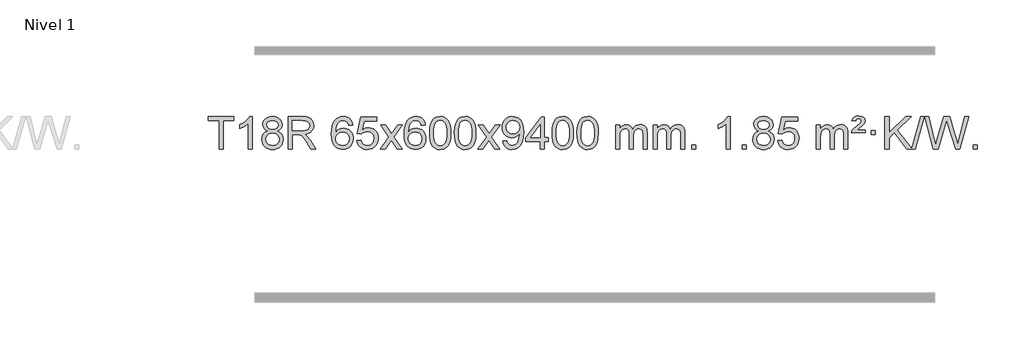
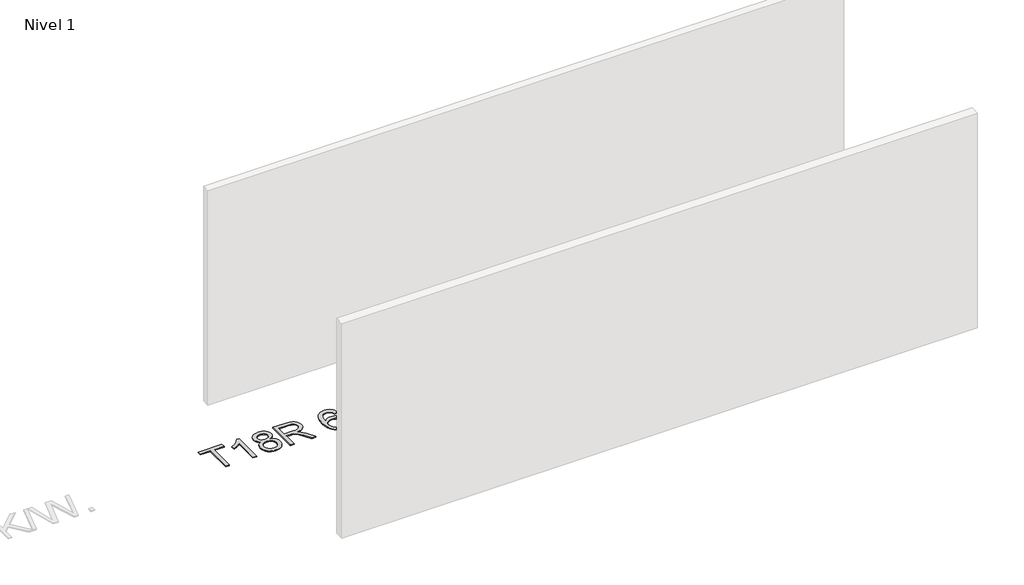
# One storey, part 6 of 7: 1 proxy.
"""IFC4 building model written with IfcOpenShell, lengths in millimetres."""

from ifc_helpers import new_model, si_unit, origin, origin_with_axes, place, context, project, spatial, polyline, outline, extrude, element, save

model = new_model("IFC4")

# Units and contexts
model_context = context("Model", 3, world=origin())
ifc_project = project(units=[si_unit("LENGTHUNIT", "METRE", prefix="MILLI")], contexts=[model_context])

# Site, building, storey
site = spatial("IfcSite", under=ifc_project)
building = spatial("IfcBuilding", under=site)
storey = spatial("IfcBuildingStorey", under=building, Name="Nivel 1", Elevation=0.0)

# Proxy
placement = place(None, origin())
element("IfcBuildingElementProxy", 1, Name="Texto de modelo 1", ObjectType="Texto de modelo 1", at=placement, inside=storey, context=model_context, shape_type="SweptSolid", body=[
    extrude(outline(polyline([(-14917.2438234, 5712.420547), (-14917.2438234, 6064.0176325), (-15049.0927304, 6064.0176325), (-15049.0927304, 6114.2457876), (-14735.1667612, 6114.2457876), (-14735.1667612, 6064.0176325), (-14867.0156683, 6064.0176325), (-14867.0156683, 5712.420547), (-14917.2438234, 5712.420547)])), origin_with_axes(), (0.0, 0.0, 1.0), 10.0),
    extrude(outline(polyline([(-14509.1400634, 5712.420547), (-14559.3682185, 5712.420547), (-14559.3682185, 6025.5617013), (-14580.3374922, 6008.6023413), (-14606.9476232, 5991.6675068), (-14659.8245286, 5966.3081746), (-14659.8245286, 6013.7894775), (-14620.375316, 6035.2492605), (-14586.1990786, 6060.780271), (-14559.2578539, 6087.9299622), (-14541.513679, 6114.2457876), (-14509.1400634, 6114.2457876), (-14509.1400634, 5712.420547)])), origin_with_axes(), (0.0, 0.0, 1.0), 10.0),
    extrude(outline(polyline([(-14316.6642035, 5933.7383553), (-14343.5563773, 5946.9821071), (-14362.4287237, 5964.9347485), (-14373.5755482, 5987.2283974), (-14377.2911563, 6013.4951719), (-14375.2678053, 6033.9800676), (-14369.1977524, 6052.7604435), (-14359.0809975, 6069.8362994), (-14344.9175407, 6085.2076355), (-14327.3879637, 6097.911827), (-14307.172848, 6106.9862496), (-14284.2721938, 6112.4309031), (-14258.6860011, 6114.2457876), (-14232.977181, 6112.3879835), (-14209.9048485, 6106.8145713), (-14189.4690037, 6097.5255509), (-14171.6696465, 6084.5209224), (-14157.2486723, 6068.8491494), (-14146.9479764, 6051.5586956), (-14140.7675589, 6032.6495611), (-14138.7074197, 6012.1217457), (-14142.3739769, 5986.7010999), (-14153.3736486, 5964.7875957), (-14171.829062, 5946.9453189), (-14197.8628445, 5933.7383553), (-14166.9484942, 5917.8090649), (-14144.4463788, 5894.3504564), (-14130.7243804, 5864.4907011), (-14126.1503809, 5829.3579705), (-14128.4189866, 5804.3052067), (-14135.2248035, 5781.3371074), (-14146.5678317, 5760.4536728), (-14162.4480711, 5741.6549029), (-14182.031656, 5726.11802), (-14204.4847204, 5715.0202464), (-14229.8072644, 5708.3615823), (-14257.999288, 5706.1420276), (-14286.1913116, 5708.3707794), (-14311.5138556, 5715.0570346), (-14333.96692, 5726.2007934), (-14353.5505049, 5741.8020557), (-14369.4307443, 5760.73265), (-14380.7737725, 5781.864405), (-14387.5795894, 5805.1973205), (-14389.8481951, 5830.7313967), (-14385.0902546, 5867.2252906), (-14370.8164332, 5897.2444614), (-14347.7624948, 5919.7588395), (-14316.6642035, 5933.7383553)]), holes=[polyline([(-14327.0630012, 6012.0236439), (-14322.6116291, 5990.097877), (-14309.2575127, 5972.586694), (-14287.3930594, 5961.1087757), (-14257.4106768, 5957.282803), (-14228.12727, 5961.0842503), (-14206.5939105, 5972.4885921), (-14193.3501587, 5989.4111639), (-14188.9355748, 6009.767301), (-14193.4973115, 6030.8959902), (-14207.1825217, 6048.370385), (-14229.0101868, 6060.1058206), (-14257.999288, 6064.0176325), (-14287.1723302, 6060.1916598), (-14308.9632071, 6048.7137415), (-14322.5380527, 6031.8892716), (-14327.0630012, 6012.0236439)]), polyline([(-14339.62004, 5832.4972302), (-14337.5231126, 5813.2815274), (-14331.2323305, 5794.6789611), (-14319.6195222, 5778.4553651), (-14301.5565162, 5766.376573), (-14279.9250549, 5758.8717803), (-14257.6068805, 5756.3701827), (-14223.4183805, 5761.6308952), (-14209.5247038, 5768.2067859), (-14197.7647427, 5777.4130328), (-14181.7250877, 5801.3130998), (-14176.378536, 5830.9276004), (-14181.8967659, 5861.0448731), (-14198.4514557, 5885.4722375), (-14210.5302479, 5894.9145421), (-14224.6937047, 5901.6590453), (-14259.2746123, 5907.0546479), (-14292.9848657, 5901.7326217), (-14306.7221926, 5895.080089), (-14318.3809861, 5885.7665431), (-14334.3102765, 5861.8051625), (-14339.62004, 5832.4972302)])]), origin_with_axes(), (0.0, 0.0, 1.0), 10.0),
    extrude(outline(polyline([(-14063.3651871, 5712.420547), (-14063.3651871, 6114.2457876), (-13890.2153947, 6114.2457876), (-13843.6783223, 6111.5357236), (-13809.820916, 6103.4055315), (-13785.0747205, 6088.3959461), (-13765.8712803, 6065.0477021), (-13753.5472335, 6036.0953891), (-13749.4392179, 6004.2735965), (-13751.1406721, 5983.6354166), (-13756.2450348, 5964.6894938), (-13764.7523059, 5947.4358283), (-13776.6624855, 5931.8744199), (-13792.1288577, 5918.5019093), (-13811.3047067, 5907.8149374), (-13834.1900325, 5899.813504), (-13860.7848351, 5894.4976092), (-13832.2371923, 5873.0133006), (-13791.5249181, 5821.3136176), (-13724.5213441, 5712.420547), (-13782.891954, 5712.420547), (-13835.1802482, 5795.7090307), (-13872.9494664, 5850.8422791), (-13886.9902959, 5866.9187222), (-13899.486021, 5876.8883243), (-13923.3738252, 5886.4532562), (-13952.5100792, 5888.2190898), (-14013.137032, 5888.2190898), (-14013.137032, 5712.420547), (-14063.3651871, 5712.420547)]), holes=[polyline([(-14013.137032, 5938.4472448), (-13900.7122943, 5938.4472448), (-13868.4245178, 5940.2253412), (-13843.371754, 5945.5596301), (-13824.5116704, 5954.8057309), (-13810.8019347, 5968.3192629), (-13802.4510134, 5984.6654862), (-13799.6673729, 6002.4096611), (-13804.9771364, 6026.910602), (-13820.9064268, 6046.6536024), (-13833.0679924, 6054.2503656), (-13848.3136354, 6059.676625), (-13888.0571537, 6064.0176325), (-14013.137032, 6064.0176325), (-14013.137032, 5938.4472448)])]), origin_with_axes(), (0.0, 0.0, 1.0), 10.0),
    extrude(outline(polyline([(-13265.9932253, 6007.5109581), (-13316.2213804, 6001.2324387), (-13324.3147842, 6026.125787), (-13335.2531422, 6043.1219352), (-13358.0373005, 6058.7937082), (-13385.5793992, 6064.0176325), (-13408.9276431, 6060.9764747), (-13430.902461, 6051.8530012), (-13449.7748073, 6032.6372983), (-13465.1890629, 6006.1865829), (-13475.6001234, 5968.772984), (-13479.4628843, 5916.6686307), (-13459.3152137, 5940.1762902), (-13435.1698921, 5956.7432427), (-13408.3758201, 5966.565692), (-13380.2818984, 5969.8398418), (-13356.1488396, 5967.601893), (-13333.8797161, 5960.8880466), (-13313.4745281, 5949.6983025), (-13294.9332756, 5934.0326609), (-13279.5251513, 5914.8230894), (-13268.5193483, 5893.0015557), (-13261.9158665, 5868.5680599), (-13259.7147059, 5841.5226018), (-13263.8595097, 5805.5560055), (-13276.2939211, 5772.213634), (-13295.9878706, 5743.9357713), (-13321.9112885, 5723.1627013), (-13352.8869525, 5710.397196), (-13387.7376402, 5706.1420276), (-13417.6801689, 5708.9624563), (-13444.7225613, 5717.4237421), (-13468.8648172, 5731.5258853), (-13490.1069367, 5751.2688857), (-13507.4249817, 5777.4866092), (-13519.7950137, 5811.0129217), (-13527.217033, 5851.8478232), (-13529.6910394, 5899.9913136), (-13526.9441872, 5953.9657337), (-13518.7036305, 6000.0306908), (-13504.9693693, 6038.1861851), (-13485.7414037, 6068.4322165), (-13464.9008887, 6088.4756538), (-13440.737173, 6102.7923948), (-13413.2502566, 6111.3824394), (-13382.4401395, 6114.2457876), (-13359.3064934, 6112.4738227), (-13338.3678765, 6107.1579278), (-13319.6242888, 6098.2981031), (-13303.0757304, 6085.8943485), (-13289.169791, 6070.3635969), (-13278.3540603, 6052.1227814), (-13270.6285384, 6031.1719017), (-13265.9932253, 6007.5109581)]), holes=[polyline([(-13479.4628843, 5842.3074168), (-13476.5566166, 5820.0505561), (-13467.8378133, 5798.7992395), (-13454.2997559, 5780.527767), (-13436.9357257, 5767.2104388), (-13415.9787147, 5759.0802467), (-13391.6617148, 5756.3701827), (-13358.5155471, 5761.9865145), (-13344.6004106, 5769.0069292), (-13332.4572391, 5778.8355099), (-13322.6071987, 5791.0737176), (-13315.5714555, 5805.3230135), (-13309.942861, 5839.8548701), (-13315.4978791, 5873.0010379), (-13322.4416518, 5886.6218688), (-13332.1629335, 5898.274531), (-13344.3428932, 5907.6095366), (-13358.6626999, 5914.2773978), (-13393.721854, 5919.6116867), (-13426.8189708, 5914.2773978), (-13454.4959596, 5898.274531), (-13465.4189892, 5886.7751529), (-13473.2211532, 5873.6141746), (-13477.9024515, 5858.7915958), (-13479.4628843, 5842.3074168)])]), origin_with_axes(), (0.0, 0.0, 1.0), 10.0),
    extrude(outline(polyline([(-13215.7650702, 5819.1553765), (-13165.5369151, 5825.4338959), (-13156.3153398, 5795.2798351), (-13140.2266339, 5773.6851619), (-13117.3443738, 5760.6989275), (-13087.7421359, 5756.3701827), (-13068.6122721, 5757.8754332), (-13051.7387513, 5762.3911847), (-13037.1215733, 5769.9174372), (-13024.7607383, 5780.4541906), (-13014.9321577, 5793.480279), (-13007.9117429, 5808.4745359), (-13002.2954111, 5844.3675559), (-13007.5561237, 5878.1636486), (-13014.1320143, 5892.0818507), (-13023.3382613, 5904.0134901), (-13035.2055213, 5913.5845533), (-13049.7644512, 5920.4210271), (-13086.957321, 5925.8902061), (-13111.3233718, 5923.7074396), (-13131.0541094, 5917.1591401), (-13146.8117216, 5907.1282243), (-13159.2583957, 5894.4976092), (-13209.4865508, 5900.7761285), (-13165.5369151, 6107.9672682), (-12970.9028142, 6107.9672682), (-12970.9028142, 6057.7391131), (-13124.9227429, 6057.7391131), (-13146.4070514, 5947.080209), (-13128.6812706, 5959.7844006), (-13110.5262941, 5968.8588231), (-13091.942122, 5974.3034766), (-13072.9287542, 5976.1183612), (-13048.4676672, 5973.8681496), (-13025.9992744, 5967.117515), (-13005.5235756, 5955.8664573), (-12987.0405711, 5940.1149766), (-12971.7397458, 5920.8256973), (-12960.8105848, 5898.961244), (-12954.2530882, 5874.5216168), (-12952.0672561, 5847.5068156), (-12954.0354247, 5821.4852958), (-12959.9399308, 5797.2786606), (-12969.7807741, 5774.8869098), (-12983.5579548, 5754.3100435), (-13004.4291267, 5733.2365366), (-13028.7829148, 5718.1840316), (-13056.6193191, 5709.1525286), (-13087.9383396, 5706.1420276), (-13113.8586919, 5708.0764738), (-13137.2713152, 5713.8798123), (-13158.1762095, 5723.552043), (-13176.573375, 5737.0931662), (-13191.8803317, 5753.8287312), (-13203.5145998, 5773.084288), (-13211.4761793, 5794.8598364), (-13215.7650702, 5819.1553765)])), origin_with_axes(), (0.0, 0.0, 1.0), 10.0),
    extrude(outline(polyline([(-12926.9531785, 5712.420547), (-12819.6297378, 5860.7505675), (-12920.6746591, 6007.5109581), (-12860.2439101, 6007.5109581), (-12811.487283, 5936.877615), (-12788.7276502, 5903.5229808), (-12769.0091753, 5930.7952993), (-12713.4835195, 6007.5109581), (-12653.0527704, 6007.5109581), (-12759.1989887, 5860.7505675), (-12656.976845, 5712.420547), (-12717.4075941, 5712.420547), (-12778.9174637, 5801.5951426), (-12790.1991782, 5817.8800523), (-12866.5224294, 5712.420547), (-12926.9531785, 5712.420547)])), origin_with_axes(), (0.0, 0.0, 1.0), 10.0),
    extrude(outline(polyline([(-12368.1649533, 6007.5109581), (-12418.3931084, 6001.2324387), (-12426.4865123, 6026.125787), (-12437.4248703, 6043.1219352), (-12460.2090285, 6058.7937082), (-12487.7511272, 6064.0176325), (-12511.0993712, 6060.9764747), (-12533.074189, 6051.8530012), (-12551.9465354, 6032.6372983), (-12567.360791, 6006.1865829), (-12577.7718514, 5968.772984), (-12581.6346124, 5916.6686307), (-12561.4869418, 5940.1762902), (-12537.3416202, 5956.7432427), (-12510.5475482, 5966.565692), (-12482.4536265, 5969.8398418), (-12458.3205676, 5967.601893), (-12436.0514442, 5960.8880466), (-12415.6462562, 5949.6983025), (-12397.1050036, 5934.0326609), (-12381.6968794, 5914.8230894), (-12370.6910763, 5893.0015557), (-12364.0875945, 5868.5680599), (-12361.8864339, 5841.5226018), (-12366.0312377, 5805.5560055), (-12378.4656492, 5772.213634), (-12398.1595987, 5743.9357713), (-12424.0830166, 5723.1627013), (-12455.0586806, 5710.397196), (-12489.9093683, 5706.1420276), (-12519.851897, 5708.9624563), (-12546.8942893, 5717.4237421), (-12571.0365452, 5731.5258853), (-12592.2786648, 5751.2688857), (-12609.5967097, 5777.4866092), (-12621.9667418, 5811.0129217), (-12629.388761, 5851.8478232), (-12631.8627675, 5899.9913136), (-12629.1159152, 5953.9657337), (-12620.8753585, 6000.0306908), (-12607.1410974, 6038.1861851), (-12587.9131318, 6068.4322165), (-12567.0726167, 6088.4756538), (-12542.908901, 6102.7923948), (-12515.4219846, 6111.3824394), (-12484.6118675, 6114.2457876), (-12461.4782214, 6112.4738227), (-12440.5396045, 6107.1579278), (-12421.7960168, 6098.2981031), (-12405.2474584, 6085.8943485), (-12391.341519, 6070.3635969), (-12380.5257884, 6052.1227814), (-12372.8002665, 6031.1719017), (-12368.1649533, 6007.5109581)]), holes=[polyline([(-12581.6346124, 5842.3074168), (-12578.7283446, 5820.0505561), (-12570.0095413, 5798.7992395), (-12556.4714839, 5780.527767), (-12539.1074537, 5767.2104388), (-12518.1504427, 5759.0802467), (-12493.8334429, 5756.3701827), (-12460.6872751, 5761.9865145), (-12446.7721386, 5769.0069292), (-12434.6289671, 5778.8355099), (-12424.7789267, 5791.0737176), (-12417.7431835, 5805.3230135), (-12412.114589, 5839.8548701), (-12417.6696071, 5873.0010379), (-12424.6133798, 5886.6218688), (-12434.3346615, 5898.274531), (-12446.5146212, 5907.6095366), (-12460.8344279, 5914.2773978), (-12495.893582, 5919.6116867), (-12528.9906989, 5914.2773978), (-12556.6676876, 5898.274531), (-12567.5907172, 5886.7751529), (-12575.3928812, 5873.6141746), (-12580.0741796, 5858.7915958), (-12581.6346124, 5842.3074168)])]), origin_with_axes(), (0.0, 0.0, 1.0), 10.0),
    extrude(outline(polyline([(-12317.9367982, 5910.0958057), (-12314.2457156, 5974.4138412), (-12303.1724675, 6025.7088541), (-12284.8274187, 6064.7656593), (-12272.9693557, 6079.9990395), (-12259.3209337, 6092.3690716), (-12243.8361674, 6101.9401349), (-12226.4690715, 6108.7766086), (-12186.0878912, 6114.2457876), (-12155.1367526, 6111.008426), (-12127.4229757, 6101.2963414), (-12104.24641, 6085.4896783), (-12086.9069053, 6063.9685816), (-12073.8103062, 6036.9169922), (-12063.3624576, 6004.5188512), (-12056.5198525, 5963.3773814), (-12054.2389841, 5910.0958057), (-12057.8932786, 5846.1456523), (-12068.856162, 5794.9732667), (-12087.0908463, 5755.8796734), (-12098.9213181, 5740.6003078), (-12112.5605431, 5728.1658964), (-12128.0637035, 5718.5304538), (-12145.4859816, 5711.6479948), (-12186.0878912, 5706.1420276), (-12213.7526172, 5708.5332606), (-12238.2780835, 5715.7069595), (-12259.6642902, 5727.6631243), (-12277.9112372, 5744.4017551), (-12295.4224201, 5774.6600492), (-12307.930408, 5812.3618224), (-12315.4352007, 5857.5070745), (-12317.9367982, 5910.0958057)]), holes=[polyline([(-12267.7086432, 5910.1939076), (-12266.2371152, 5866.5293805), (-12261.8225312, 5831.1851178), (-12254.4648913, 5804.1611196), (-12244.1641955, 5785.4573858), (-12231.7052586, 5772.7317344), (-12217.8728956, 5763.6419835), (-12202.6671064, 5758.1881329), (-12186.0878912, 5756.3701827), (-12169.5086759, 5758.1942643), (-12154.3028868, 5763.6665089), (-12140.4705238, 5772.7869167), (-12128.0115869, 5785.5554876), (-12117.710891, 5804.2898783), (-12110.3532511, 5831.3077451), (-12105.9386672, 5866.6090882), (-12104.4671392, 5910.1939076), (-12105.8896162, 5952.7026722), (-12110.1570474, 5987.4246011), (-12117.2694326, 6014.3596945), (-12127.2267719, 6033.5079524), (-12139.4772424, 6046.8559375), (-12153.4690209, 6056.3902125), (-12169.2021076, 6062.1107775), (-12186.6765024, 6064.0176325), (-12203.1698785, 6062.3376381), (-12218.1181502, 6057.2976548), (-12231.5213176, 6048.8976825), (-12243.3793805, 6037.1377214), (-12254.0234329, 6016.291075), (-12261.6263275, 5988.1848906), (-12266.1880643, 5952.8191681), (-12267.7086432, 5910.1939076)])]), origin_with_axes(), (0.0, 0.0, 1.0), 10.0),
    extrude(outline(polyline([(-12010.2893484, 5910.0958057), (-12006.5982657, 5974.4138412), (-11995.5250177, 6025.7088541), (-11977.1799688, 6064.7656593), (-11965.3219059, 6079.9990395), (-11951.6734838, 6092.3690716), (-11936.1887175, 6101.9401349), (-11918.8216217, 6108.7766086), (-11878.4404413, 6114.2457876), (-11847.4893028, 6111.008426), (-11819.7755258, 6101.2963414), (-11796.5989601, 6085.4896783), (-11779.2594554, 6063.9685816), (-11766.1628564, 6036.9169922), (-11755.7150077, 6004.5188512), (-11748.8724026, 5963.3773814), (-11746.5915343, 5910.0958057), (-11750.2458287, 5846.1456523), (-11761.2087122, 5794.9732667), (-11779.4433964, 5755.8796734), (-11791.2738683, 5740.6003078), (-11804.9130932, 5728.1658964), (-11820.4162536, 5718.5304538), (-11837.8385318, 5711.6479948), (-11878.4404413, 5706.1420276), (-11906.1051674, 5708.5332606), (-11930.6306337, 5715.7069595), (-11952.0168404, 5727.6631243), (-11970.2637873, 5744.4017551), (-11987.7749703, 5774.6600492), (-12000.2829581, 5812.3618224), (-12007.7877508, 5857.5070745), (-12010.2893484, 5910.0958057)]), holes=[polyline([(-11960.0611933, 5910.1939076), (-11958.5896654, 5866.5293805), (-11954.1750814, 5831.1851178), (-11946.8174415, 5804.1611196), (-11936.5167456, 5785.4573858), (-11924.0578087, 5772.7317344), (-11910.2254457, 5763.6419835), (-11895.0196566, 5758.1881329), (-11878.4404413, 5756.3701827), (-11861.8612261, 5758.1942643), (-11846.655437, 5763.6665089), (-11832.8230739, 5772.7869167), (-11820.364137, 5785.5554876), (-11810.0634412, 5804.2898783), (-11802.7058013, 5831.3077451), (-11798.2912173, 5866.6090882), (-11796.8196893, 5910.1939076), (-11798.2421664, 5952.7026722), (-11802.5095975, 5987.4246011), (-11809.6219828, 6014.3596945), (-11819.5793221, 6033.5079524), (-11831.8297925, 6046.8559375), (-11845.8215711, 6056.3902125), (-11861.5546578, 6062.1107775), (-11879.0290525, 6064.0176325), (-11895.5224286, 6062.3376381), (-11910.4707004, 6057.2976548), (-11923.8738677, 6048.8976825), (-11935.7319307, 6037.1377214), (-11946.3759831, 6016.291075), (-11953.9788777, 5988.1848906), (-11958.5406144, 5952.8191681), (-11960.0611933, 5910.1939076)])]), origin_with_axes(), (0.0, 0.0, 1.0), 10.0),
    extrude(outline(polyline([(-11721.4774567, 5712.420547), (-11614.154016, 5860.7505675), (-11715.1989373, 6007.5109581), (-11654.7681883, 6007.5109581), (-11606.0115612, 5936.877615), (-11583.2519284, 5903.5229808), (-11563.5334535, 5930.7952993), (-11508.0077977, 6007.5109581), (-11447.5770486, 6007.5109581), (-11553.7232669, 5860.7505675), (-11451.5011232, 5712.420547), (-11511.9318723, 5712.420547), (-11573.4417419, 5801.5951426), (-11584.7234564, 5817.8800523), (-11661.0467077, 5712.420547), (-11721.4774567, 5712.420547)])), origin_with_axes(), (0.0, 0.0, 1.0), 10.0),
    extrude(outline(polyline([(-11413.8300069, 5812.8768572), (-11363.6018518, 5819.1553765), (-11355.0179386, 5790.6445219), (-11341.0384228, 5771.2326153), (-11322.0066609, 5760.0857908), (-11298.2660095, 5756.3701827), (-11276.965642, 5758.7614157), (-11257.6027863, 5765.9351146), (-11241.5140804, 5777.1064645), (-11230.0361621, 5791.4906505), (-11213.6040997, 5835.1459806), (-11208.1594461, 5863.5464706), (-11206.3445616, 5893.4184886), (-11206.6388672, 5903.2286752), (-11224.0396856, 5881.9896213), (-11246.8115811, 5865.1651514), (-11273.3113475, 5854.2022679), (-11301.8957785, 5850.5479735), (-11325.7559916, 5852.7797909), (-11347.6970869, 5859.4752432), (-11367.7190645, 5870.6343304), (-11385.8219243, 5886.2570525), (-11400.8223127, 5905.5279376), (-11411.5368758, 5927.6315142), (-11417.9656137, 5952.5677821), (-11420.1085263, 5980.3367414), (-11417.8613804, 6009.031537), (-11411.1199429, 6034.7832766), (-11399.8842136, 6057.5919603), (-11384.1541926, 6077.4575881), (-11365.0396573, 6093.5524254), (-11343.6503849, 6105.0487377), (-11319.9863756, 6111.9465251), (-11294.0476293, 6114.2457876), (-11256.5849794, 6108.9973378), (-11222.4823185, 6093.2519884), (-11193.9592011, 6067.7945543), (-11173.235182, 6033.4098505), (-11160.6168296, 5985.8794968), (-11156.4107121, 5920.9851128), (-11160.6045669, 5852.178917), (-11173.1861311, 5798.9954432), (-11194.0450402, 5759.0311958), (-11207.5371124, 5743.1049711), (-11223.0709297, 5729.882679), (-11240.3337923, 5719.496144), (-11259.0130006, 5712.0771905), (-11300.6204542, 5706.1420276), (-11323.1777519, 5707.8925328), (-11343.5645458, 5713.1440483), (-11361.7808359, 5721.8965741), (-11377.8266223, 5734.1501102), (-11391.2972347, 5749.5735628), (-11401.7880029, 5767.8358382), (-11409.298927, 5788.9369363), (-11413.8300069, 5812.8768572)]), holes=[polyline([(-11206.6388672, 5981.5139637), (-11212.0589953, 6015.555311), (-11218.8341553, 6029.6329287), (-11228.3193795, 6041.7485091), (-11240.0486837, 6051.4912506), (-11253.5560843, 6058.4503517), (-11285.9051744, 6064.0176325), (-11303.5144593, 6062.5185134), (-11319.4560124, 6058.021156), (-11333.7298338, 6050.5255604), (-11346.3359235, 6040.0317264), (-11356.6366194, 6027.1527909), (-11363.9942593, 6012.5018905), (-11368.4088432, 5996.0790251), (-11369.8803712, 5977.8841947), (-11364.3130903, 5946.8472171), (-11357.3539893, 5933.7291583), (-11347.6112478, 5922.2113861), (-11335.489536, 5912.8334609), (-11321.3935242, 5906.1349429), (-11287.2786006, 5900.7761285), (-11255.1870278, 5906.1349429), (-11229.349449, 5922.2113861), (-11219.4135695, 5933.9560188), (-11212.3165127, 5947.7546593), (-11206.6388672, 5981.5139637)])]), origin_with_axes(), (0.0, 0.0, 1.0), 10.0),
    extrude(outline(polyline([(-10949.2195725, 5712.420547), (-10949.2195725, 5806.5983378), (-11131.2966346, 5806.5983378), (-11131.2966346, 5856.8264928), (-10936.6625337, 6107.9672682), (-10898.9914174, 6107.9672682), (-10898.9914174, 5856.8264928), (-10848.7632623, 5856.8264928), (-10848.7632623, 5806.5983378), (-10898.9914174, 5806.5983378), (-10898.9914174, 5712.420547), (-10949.2195725, 5712.420547)]), holes=[polyline([(-10949.2195725, 5856.8264928), (-10949.2195725, 6012.0236439), (-11069.4924594, 5856.8264928), (-10949.2195725, 5856.8264928)])]), origin_with_axes(), (0.0, 0.0, 1.0), 10.0),
    extrude(outline(polyline([(-10804.8136266, 5910.0958057), (-10801.1225439, 5974.4138412), (-10790.0492959, 6025.7088541), (-10771.704247, 6064.7656593), (-10759.8461841, 6079.9990395), (-10746.197762, 6092.3690716), (-10730.7129957, 6101.9401349), (-10713.3458999, 6108.7766086), (-10672.9647195, 6114.2457876), (-10642.013581, 6111.008426), (-10614.299804, 6101.2963414), (-10591.1232383, 6085.4896783), (-10573.7837336, 6063.9685816), (-10560.6871346, 6036.9169922), (-10550.2392859, 6004.5188512), (-10543.3966808, 5963.3773814), (-10541.1158125, 5910.0958057), (-10544.770107, 5846.1456523), (-10555.7329904, 5794.9732667), (-10573.9676746, 5755.8796734), (-10585.7981465, 5740.6003078), (-10599.4373714, 5728.1658964), (-10614.9405318, 5718.5304538), (-10632.36281, 5711.6479948), (-10672.9647195, 5706.1420276), (-10700.6294456, 5708.5332606), (-10725.1549119, 5715.7069595), (-10746.5411186, 5727.6631243), (-10764.7880655, 5744.4017551), (-10782.2992485, 5774.6600492), (-10794.8072363, 5812.3618224), (-10802.312029, 5857.5070745), (-10804.8136266, 5910.0958057)]), holes=[polyline([(-10754.5854715, 5910.1939076), (-10753.1139436, 5866.5293805), (-10748.6993596, 5831.1851178), (-10741.3417197, 5804.1611196), (-10731.0410238, 5785.4573858), (-10718.5820869, 5772.7317344), (-10704.7497239, 5763.6419835), (-10689.5439348, 5758.1881329), (-10672.9647195, 5756.3701827), (-10656.3855043, 5758.1942643), (-10641.1797152, 5763.6665089), (-10627.3473521, 5772.7869167), (-10614.8884152, 5785.5554876), (-10604.5877194, 5804.2898783), (-10597.2300795, 5831.3077451), (-10592.8154955, 5866.6090882), (-10591.3439675, 5910.1939076), (-10592.7664446, 5952.7026722), (-10597.0338757, 5987.4246011), (-10604.146261, 6014.3596945), (-10614.1036003, 6033.5079524), (-10626.3540707, 6046.8559375), (-10640.3458493, 6056.3902125), (-10656.078936, 6062.1107775), (-10673.5533307, 6064.0176325), (-10690.0467068, 6062.3376381), (-10704.9949786, 6057.2976548), (-10718.3981459, 6048.8976825), (-10730.2562089, 6037.1377214), (-10740.9002613, 6016.291075), (-10748.5031559, 5988.1848906), (-10753.0648926, 5952.8191681), (-10754.5854715, 5910.1939076)])]), origin_with_axes(), (0.0, 0.0, 1.0), 10.0),
    extrude(outline(polyline([(-10497.1661768, 5910.0958057), (-10493.4750941, 5974.4138412), (-10482.401846, 6025.7088541), (-10464.0567972, 6064.7656593), (-10452.1987342, 6079.9990395), (-10438.5503122, 6092.3690716), (-10423.0655459, 6101.9401349), (-10405.69845, 6108.7766086), (-10365.3172697, 6114.2457876), (-10334.3661312, 6111.008426), (-10306.6523542, 6101.2963414), (-10283.4757885, 6085.4896783), (-10266.1362838, 6063.9685816), (-10253.0396848, 6036.9169922), (-10242.5918361, 6004.5188512), (-10235.749231, 5963.3773814), (-10233.4683626, 5910.0958057), (-10237.1226571, 5846.1456523), (-10248.0855406, 5794.9732667), (-10266.3202248, 5755.8796734), (-10278.1506966, 5740.6003078), (-10291.7899216, 5728.1658964), (-10307.293082, 5718.5304538), (-10324.7153602, 5711.6479948), (-10365.3172697, 5706.1420276), (-10392.9819957, 5708.5332606), (-10417.5074621, 5715.7069595), (-10438.8936687, 5727.6631243), (-10457.1406157, 5744.4017551), (-10474.6517987, 5774.6600492), (-10487.1597865, 5812.3618224), (-10494.6645792, 5857.5070745), (-10497.1661768, 5910.0958057)]), holes=[polyline([(-10446.9380217, 5910.1939076), (-10445.4664937, 5866.5293805), (-10441.0519098, 5831.1851178), (-10433.6942699, 5804.1611196), (-10423.393574, 5785.4573858), (-10410.9346371, 5772.7317344), (-10397.1022741, 5763.6419835), (-10381.896485, 5758.1881329), (-10365.3172697, 5756.3701827), (-10348.7380545, 5758.1942643), (-10333.5322653, 5763.6665089), (-10319.6999023, 5772.7869167), (-10307.2409654, 5785.5554876), (-10296.9402695, 5804.2898783), (-10289.5826296, 5831.3077451), (-10285.1680457, 5866.6090882), (-10283.6965177, 5910.1939076), (-10285.1189948, 5952.7026722), (-10289.3864259, 5987.4246011), (-10296.4988111, 6014.3596945), (-10306.4561505, 6033.5079524), (-10318.7066209, 6046.8559375), (-10332.6983995, 6056.3902125), (-10348.4314861, 6062.1107775), (-10365.9058809, 6064.0176325), (-10382.399257, 6062.3376381), (-10397.3475288, 6057.2976548), (-10410.7506961, 6048.8976825), (-10422.6087591, 6037.1377214), (-10433.2528115, 6016.291075), (-10440.855706, 5988.1848906), (-10445.4174428, 5952.8191681), (-10446.9380217, 5910.1939076)])]), origin_with_axes(), (0.0, 0.0, 1.0), 10.0),
    extrude(outline(polyline([(-10019.9987036, 5712.420547), (-10019.9987036, 6007.5109581), (-9969.7705485, 6007.5109581), (-9969.7705485, 5958.9505347), (-9954.6628612, 5981.2564463), (-9935.2386919, 5998.7308411), (-9912.160228, 6010.0248184), (-9886.0896573, 6013.7894775), (-9858.1551512, 6009.951242), (-9835.7634004, 5998.4365355), (-9819.0370323, 5980.0056476), (-9808.0986743, 5955.4188676), (-9789.7904137, 5980.9560094), (-9768.9069791, 5999.196825), (-9745.4483706, 6010.1413143), (-9719.414588, 6013.7894775), (-9699.3067713, 6012.2719642), (-9681.6576326, 6007.7194245), (-9666.4671719, 6000.1318584), (-9653.7353892, 5989.5092658), (-9643.6707509, 5975.7290194), (-9636.4817236, 5958.6684918), (-9632.1683072, 5938.3276832), (-9630.7305017, 5914.7065934), (-9630.7305017, 5712.420547), (-9680.9586568, 5712.420547), (-9680.9586568, 5893.124183), (-9682.1236165, 5918.1769469), (-9685.6184954, 5935.0627305), (-9692.1667949, 5946.6264879), (-9702.4920163, 5955.7131732), (-9715.7725563, 5961.5992851), (-9731.1868119, 5963.5613224), (-9758.3978168, 5958.5336018), (-9780.5811011, 5943.45044), (-9789.1864741, 5931.8805512), (-9795.3331691, 5917.2817674), (-9800.2505251, 5878.9975144), (-9800.2505251, 5712.420547), (-9850.4786802, 5712.420547), (-9850.4786802, 5898.7159894), (-9853.384948, 5927.1164794), (-9862.1037512, 5947.3745146), (-9877.4444304, 5959.5146204), (-9900.2163259, 5963.5613224), (-9919.5669189, 5960.8635211), (-9937.3969329, 5952.7701172), (-9952.1122127, 5939.4773144), (-9962.118603, 5921.1813165), (-9967.8575621, 5895.7974589), (-9969.7705485, 5861.2410768), (-9969.7705485, 5712.420547), (-10019.9987036, 5712.420547)])), origin_with_axes(), (0.0, 0.0, 1.0), 10.0),
    extrude(outline(polyline([(-9555.3882691, 5712.420547), (-9555.3882691, 6007.5109581), (-9505.160114, 6007.5109581), (-9505.160114, 5958.9505347), (-9490.0524268, 5981.2564463), (-9470.6282574, 5998.7308411), (-9447.5497936, 6010.0248184), (-9421.4792229, 6013.7894775), (-9393.5447167, 6009.951242), (-9371.1529659, 5998.4365355), (-9354.4265979, 5980.0056476), (-9343.4882399, 5955.4188676), (-9325.1799793, 5980.9560094), (-9304.2965447, 5999.196825), (-9280.8379361, 6010.1413143), (-9254.8041536, 6013.7894775), (-9234.6963369, 6012.2719642), (-9217.0471982, 6007.7194245), (-9201.8567374, 6000.1318584), (-9189.1249547, 5989.5092658), (-9179.0603165, 5975.7290194), (-9171.8712892, 5958.6684918), (-9167.5578728, 5938.3276832), (-9166.1200673, 5914.7065934), (-9166.1200673, 5712.420547), (-9216.3482224, 5712.420547), (-9216.3482224, 5893.124183), (-9217.513182, 5918.1769469), (-9221.008061, 5935.0627305), (-9227.5563605, 5946.6264879), (-9237.8815818, 5955.7131732), (-9251.1621218, 5961.5992851), (-9266.5763774, 5963.5613224), (-9293.7873824, 5958.5336018), (-9315.9706667, 5943.45044), (-9324.5760397, 5931.8805512), (-9330.7227347, 5917.2817674), (-9335.6400907, 5878.9975144), (-9335.6400907, 5712.420547), (-9385.8682457, 5712.420547), (-9385.8682457, 5898.7159894), (-9388.7745135, 5927.1164794), (-9397.4933168, 5947.3745146), (-9412.833996, 5959.5146204), (-9435.6058915, 5963.5613224), (-9454.9564844, 5960.8635211), (-9472.7864985, 5952.7701172), (-9487.5017783, 5939.4773144), (-9497.5081685, 5921.1813165), (-9503.2471277, 5895.7974589), (-9505.160114, 5861.2410768), (-9505.160114, 5712.420547), (-9555.3882691, 5712.420547)])), origin_with_axes(), (0.0, 0.0, 1.0), 10.0),
    extrude(outline(polyline([(-9078.2207959, 5712.420547), (-9078.2207959, 5762.6487021), (-9027.9926408, 5762.6487021), (-9027.9926408, 5712.420547), (-9078.2207959, 5712.420547)])), origin_with_axes(), (0.0, 0.0, 1.0), 10.0),
    extrude(outline(polyline([(-8601.0533227, 5712.420547), (-8651.2814778, 5712.420547), (-8651.2814778, 6025.5617013), (-8672.2507515, 6008.6023413), (-8698.8608825, 5991.6675068), (-8751.7377879, 5966.3081746), (-8751.7377879, 6013.7894775), (-8712.2885753, 6035.2492605), (-8678.112338, 6060.780271), (-8651.1711132, 6087.9299622), (-8633.4269383, 6114.2457876), (-8601.0533227, 6114.2457876), (-8601.0533227, 5712.420547)])), origin_with_axes(), (0.0, 0.0, 1.0), 10.0),
    extrude(outline(polyline([(-8456.6473769, 5712.420547), (-8456.6473769, 5762.6487021), (-8406.4192218, 5762.6487021), (-8406.4192218, 5712.420547), (-8456.6473769, 5712.420547)])), origin_with_axes(), (0.0, 0.0, 1.0), 10.0),
    extrude(outline(polyline([(-8251.6144782, 5933.7383553), (-8278.5066521, 5946.9821071), (-8297.3789984, 5964.9347485), (-8308.5258229, 5987.2283974), (-8312.241431, 6013.4951719), (-8310.21808, 6033.9800676), (-8304.1480271, 6052.7604435), (-8294.0312723, 6069.8362994), (-8279.8678154, 6085.2076355), (-8262.3382384, 6097.911827), (-8242.1231227, 6106.9862496), (-8219.2224685, 6112.4309031), (-8193.6362758, 6114.2457876), (-8167.9274557, 6112.3879835), (-8144.8551232, 6106.8145713), (-8124.4192784, 6097.5255509), (-8106.6199212, 6084.5209224), (-8092.198947, 6068.8491494), (-8081.8982511, 6051.5586956), (-8075.7178336, 6032.6495611), (-8073.6576944, 6012.1217457), (-8077.3242516, 5986.7010999), (-8088.3239233, 5964.7875957), (-8106.7793367, 5946.9453189), (-8132.8131192, 5933.7383553), (-8101.8987689, 5917.8090649), (-8079.3966535, 5894.3504564), (-8065.6746551, 5864.4907011), (-8061.1006556, 5829.3579705), (-8063.3692613, 5804.3052067), (-8070.1750782, 5781.3371074), (-8081.5181064, 5760.4536728), (-8097.3983458, 5741.6549029), (-8116.9819307, 5726.11802), (-8139.4349952, 5715.0202464), (-8164.7575392, 5708.3615823), (-8192.9495627, 5706.1420276), (-8221.1415863, 5708.3707794), (-8246.4641303, 5715.0570346), (-8268.9171947, 5726.2007934), (-8288.5007796, 5741.8020557), (-8304.3810191, 5760.73265), (-8315.7240472, 5781.864405), (-8322.5298642, 5805.1973205), (-8324.7984698, 5830.7313967), (-8320.0405293, 5867.2252906), (-8305.7667079, 5897.2444614), (-8282.7127695, 5919.7588395), (-8251.6144782, 5933.7383553)]), holes=[polyline([(-8262.0132759, 6012.0236439), (-8257.5619038, 5990.097877), (-8244.2077874, 5972.586694), (-8222.3433341, 5961.1087757), (-8192.3609515, 5957.282803), (-8163.0775447, 5961.0842503), (-8141.5441853, 5972.4885921), (-8128.3004334, 5989.4111639), (-8123.8858495, 6009.767301), (-8128.4475862, 6030.8959902), (-8142.1327965, 6048.370385), (-8163.9604615, 6060.1058206), (-8192.9495627, 6064.0176325), (-8222.1226049, 6060.1916598), (-8243.9134818, 6048.7137415), (-8257.4883274, 6031.8892716), (-8262.0132759, 6012.0236439)]), polyline([(-8274.5703147, 5832.4972302), (-8272.4733873, 5813.2815274), (-8266.1826052, 5794.6789611), (-8254.5697969, 5778.4553651), (-8236.5067909, 5766.376573), (-8214.8753296, 5758.8717803), (-8192.5571553, 5756.3701827), (-8158.3686552, 5761.6308952), (-8144.4749785, 5768.2067859), (-8132.7150174, 5777.4130328), (-8116.6753624, 5801.3130998), (-8111.3288107, 5830.9276004), (-8116.8470407, 5861.0448731), (-8133.4017304, 5885.4722375), (-8145.4805226, 5894.9145421), (-8159.6439794, 5901.6590453), (-8194.224887, 5907.0546479), (-8227.9351405, 5901.7326217), (-8241.6724673, 5895.080089), (-8253.3312609, 5885.7665431), (-8269.2605513, 5861.8051625), (-8274.5703147, 5832.4972302)])]), origin_with_axes(), (0.0, 0.0, 1.0), 10.0),
    extrude(outline(polyline([(-8017.15102, 5819.1553765), (-7966.9228649, 5825.4338959), (-7957.7012895, 5795.2798351), (-7941.6125836, 5773.6851619), (-7918.7303235, 5760.6989275), (-7889.1280856, 5756.3701827), (-7869.9982219, 5757.8754332), (-7853.124701, 5762.3911847), (-7838.5075231, 5769.9174372), (-7826.1466881, 5780.4541906), (-7816.3181074, 5793.480279), (-7809.2976927, 5808.4745359), (-7803.6813609, 5844.3675559), (-7808.9420734, 5878.1636486), (-7815.5179641, 5892.0818507), (-7824.724211, 5904.0134901), (-7836.591471, 5913.5845533), (-7851.150401, 5920.4210271), (-7888.3432707, 5925.8902061), (-7912.7093215, 5923.7074396), (-7932.4400592, 5917.1591401), (-7948.1976713, 5907.1282243), (-7960.6443455, 5894.4976092), (-8010.8725006, 5900.7761285), (-7966.9228649, 6107.9672682), (-7772.288764, 6107.9672682), (-7772.288764, 6057.7391131), (-7926.3086926, 6057.7391131), (-7947.7930011, 5947.080209), (-7930.0672203, 5959.7844006), (-7911.9122439, 5968.8588231), (-7893.3280717, 5974.3034766), (-7874.314704, 5976.1183612), (-7849.853617, 5973.8681496), (-7827.3852241, 5967.117515), (-7806.9095254, 5955.8664573), (-7788.4265208, 5940.1149766), (-7773.1256955, 5920.8256973), (-7762.1965346, 5898.961244), (-7755.639038, 5874.5216168), (-7753.4532058, 5847.5068156), (-7755.4213745, 5821.4852958), (-7761.3258805, 5797.2786606), (-7771.1667239, 5774.8869098), (-7784.9439046, 5754.3100435), (-7805.8150765, 5733.2365366), (-7830.1688645, 5718.1840316), (-7858.0052688, 5709.1525286), (-7889.3242894, 5706.1420276), (-7915.2446416, 5708.0764738), (-7938.6572649, 5713.8798123), (-7959.5621593, 5723.552043), (-7977.9593247, 5737.0931662), (-7993.2662814, 5753.8287312), (-8004.9005495, 5773.084288), (-8012.862129, 5794.8598364), (-8017.15102, 5819.1553765)])), origin_with_axes(), (0.0, 0.0, 1.0), 10.0),
    extrude(outline(polyline([(-7539.9835467, 5712.420547), (-7539.9835467, 6007.5109581), (-7489.7553917, 6007.5109581), (-7489.7553917, 5958.9505347), (-7474.6477044, 5981.2564463), (-7455.2235351, 5998.7308411), (-7432.1450712, 6010.0248184), (-7406.0745005, 6013.7894775), (-7378.1399943, 6009.951242), (-7355.7482436, 5998.4365355), (-7339.0218755, 5980.0056476), (-7328.0835175, 5955.4188676), (-7309.7752569, 5980.9560094), (-7288.8918223, 5999.196825), (-7265.4332137, 6010.1413143), (-7239.3994312, 6013.7894775), (-7219.2916145, 6012.2719642), (-7201.6424758, 6007.7194245), (-7186.4520151, 6000.1318584), (-7173.7202323, 5989.5092658), (-7163.6555941, 5975.7290194), (-7156.4665668, 5958.6684918), (-7152.1531504, 5938.3276832), (-7150.7153449, 5914.7065934), (-7150.7153449, 5712.420547), (-7200.9435, 5712.420547), (-7200.9435, 5893.124183), (-7202.1084596, 5918.1769469), (-7205.6033386, 5935.0627305), (-7212.1516381, 5946.6264879), (-7222.4768594, 5955.7131732), (-7235.7573995, 5961.5992851), (-7251.1716551, 5963.5613224), (-7278.38266, 5958.5336018), (-7300.5659443, 5943.45044), (-7309.1713173, 5931.8805512), (-7315.3180123, 5917.2817674), (-7320.2353683, 5878.9975144), (-7320.2353683, 5712.420547), (-7370.4635234, 5712.420547), (-7370.4635234, 5898.7159894), (-7373.3697911, 5927.1164794), (-7382.0885944, 5947.3745146), (-7397.4292736, 5959.5146204), (-7420.2011691, 5963.5613224), (-7439.5517621, 5960.8635211), (-7457.3817761, 5952.7701172), (-7472.0970559, 5939.4773144), (-7482.1034462, 5921.1813165), (-7487.8424053, 5895.7974589), (-7489.7553917, 5861.2410768), (-7489.7553917, 5712.420547), (-7539.9835467, 5712.420547)])), origin_with_axes(), (0.0, 0.0, 1.0), 10.0),
    extrude(outline(polyline([(-7106.7657092, 5913.3331673), (-7102.9397365, 5929.1520931), (-7094.6010779, 5945.0200698), (-7073.0922439, 5970.1586728), (-7041.1355613, 5997.8969753), (-6996.9897219, 6035.273786), (-6989.8528112, 6046.8007552), (-6987.4738409, 6058.6220299), (-6989.3623018, 6070.7130848), (-6995.0276846, 6080.4987459), (-7004.3964127, 6086.973469), (-7017.3949099, 6089.1317101), (-7029.8293213, 6087.5130293), (-7038.6830147, 6082.656987), (-7045.1086868, 6073.1901569), (-7050.2590348, 6057.7391131), (-7100.4871898, 6064.0176325), (-7089.6469337, 6089.2298119), (-7073.0186675, 6106.7900458), (-7049.2534906, 6117.0907417), (-7017.0025024, 6120.524307), (-6981.219847, 6116.3917659), (-6956.4736515, 6103.9941427), (-6942.0526773, 6085.6613566), (-6937.2456859, 6063.7233269), (-6941.3414387, 6040.8165414), (-6953.6286974, 6019.1850801), (-6974.1565127, 5999.3685032), (-7010.6258812, 5971.3113697), (-7036.230468, 5944.7257642), (-6937.2456859, 5944.7257642), (-6937.2456859, 5913.3331673), (-7106.7657092, 5913.3331673)])), origin_with_axes(), (0.0, 0.0, 1.0), 10.0),
    extrude(outline(polyline([(-6861.9034532, 5888.2190898), (-6861.9034532, 5938.4472448), (-6811.6752982, 5938.4472448), (-6811.6752982, 5888.2190898), (-6861.9034532, 5888.2190898)])), origin_with_axes(), (0.0, 0.0, 1.0), 10.0),
    extrude(outline(polyline([(-6421.0336702, 5712.420547), (-6574.4649877, 5915.0990009), (-6642.1552748, 5850.5479735), (-6642.1552748, 5712.420547), (-6692.3834299, 5712.420547), (-6692.3834299, 6114.2457876), (-6642.1552748, 6114.2457876), (-6642.1552748, 5917.5515475), (-6436.1413575, 6114.2457876), (-6365.9004219, 6114.2457876), (-6538.8540105, 5949.0422463), (-6364.2004007, 5718.4650668), (-6252.887073, 6114.2457876), (-6207.5640112, 6114.2457876), (-6320.5773601, 5712.420547), (-6359.6219025, 5712.420547), (-6365.9004219, 5712.420547), (-6421.0336702, 5712.420547)])), origin_with_axes(), (0.0, 0.0, 1.0), 10.0),
    extrude(outline(polyline([(-6093.0791343, 5712.420547), (-6202.6589179, 6114.2457876), (-6150.861133, 6114.2457876), (-6087.2911242, 5850.155566), (-6067.6707511, 5768.6329159), (-6046.6769519, 5840.7377869), (-5967.0182372, 6114.2457876), (-5892.3627177, 6114.2457876), (-5834.4826171, 5915.9819177), (-5809.6873706, 5842.4055186), (-5791.4158982, 5768.6329159), (-5772.3841363, 5847.8011212), (-5708.2255164, 6114.2457876), (-5656.4277314, 6114.2457876), (-5766.1056169, 5712.420547), (-5819.7673373, 5712.420547), (-5916.1033691, 6022.4224416), (-5929.5433247, 6065.6853642), (-5944.6510119, 6013.5932737), (-6032.4521814, 5712.420547), (-6093.0791343, 5712.420547)])), origin_with_axes(), (0.0, 0.0, 1.0), 10.0),
    extrude(outline(polyline([(-5599.921057, 5712.420547), (-5599.921057, 5762.6487021), (-5549.6929019, 5762.6487021), (-5549.6929019, 5712.420547), (-5599.921057, 5712.420547)])), origin_with_axes(), (0.0, 0.0, 1.0), 10.0),
])

save(model, "model.ifc")
